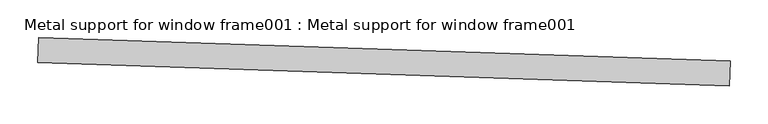
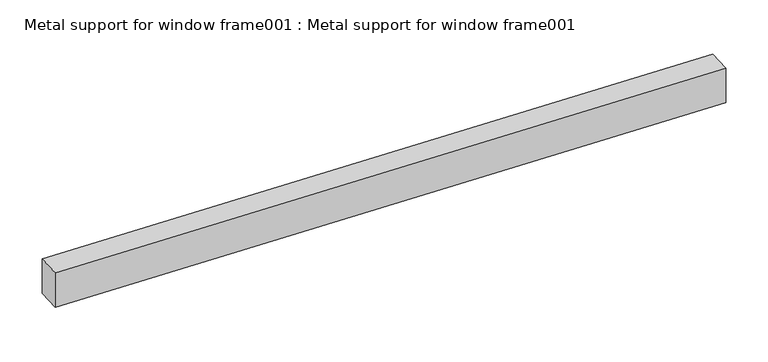
"""IFC4 building model written with IfcOpenShell, lengths in millimetres: proxy geometry, Metal support for window frame001 : Metal support for window frame001."""

from ifc_helpers import new_model, si_unit, frame, origin, place, context, project, spatial, polyline, outline, extrude, source, transform, mapped, element, save


def metal_support_for_window_frame001_metal_support_for_window_bf0e2c3e(model_context):
    return source(origin(), model_context, "Body", "SweptSolid", [
        extrude(outline(polyline([(34356.3863633, -15426.8728949), (34355.2680219, -15459.5521037), (33441.4029935, -15428.2779944), (33442.5213349, -15395.5987856), (34356.3863633, -15426.8728949)])), frame((0.0, 0.0, 2959.1), z_axis=(0.0, 0.0, 1.0), x_axis=(1.0, 0.0, 0.0)), (0.0, 0.0, 1.0), 50.8),
    ])


if __name__ == "__main__":
    model = new_model("IFC4")
    model_context = context("Model", 3, world=origin())
    ifc_project = project(units=[si_unit("LENGTHUNIT", "METRE", prefix="MILLI")], contexts=[model_context])
    site = spatial("IfcSite", under=ifc_project)
    building = spatial("IfcBuilding", under=site)
    placement = place(None, origin())
    metal_support_for_window_frame001_metal_support_for_window_shape = metal_support_for_window_frame001_metal_support_for_window_bf0e2c3e(model_context)
    element("IfcBuildingElementProxy", 1, Name="Metal support for window frame001 : Metal support for window frame001", ObjectType="Metal support for window frame001 : Metal support for window frame001", at=placement, inside=building, context=model_context, shape_type="MappedRepresentation", body=[
        mapped(metal_support_for_window_frame001_metal_support_for_window_shape, transform((0.0, 0.0, 0.0), x_axis=(1.0, 0.0, 0.0), y_axis=(0.0, 1.0, 0.0), z_axis=(0.0, 0.0, 1.0))),
    ])
    save(model, "model.ifc")
